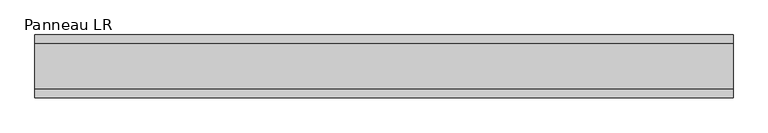
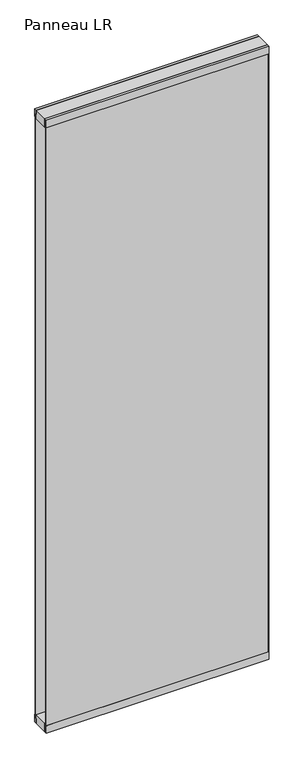
"""IFC4 building model written with IfcOpenShell, lengths in millimetres: plate geometry, Panneau LR."""

from ifc_helpers import new_model, si_unit, frame, origin, origin_with_axes, place, context, project, spatial, polyline, outline, extrude, source, transform, mapped, element, save


def panneau_lr_678c00ff(model_context):
    return source(origin(), model_context, "Body", "SweptSolid", [
        extrude(outline(polyline([(33.0, 2910.0), (45.0, 2910.0), (45.0, 2875.0), (43.8, 2875.0), (43.8, 2890.0), (33.0, 2890.0), (33.0, 2910.0)])), frame((-500.7748676, 0.0, 0.0), z_axis=(1.0, 0.0, 0.0), x_axis=(0.0, 1.0, 0.0)), (0.0, 0.0, 1.0), 1001.5497353),
        extrude(outline(polyline([(-45.0, 2875.0), (-45.0, 2910.0), (-33.0, 2910.0), (-33.0, 2890.0), (-43.8, 2890.0), (-43.8, 2875.0), (-45.0, 2875.0)])), frame((-500.7748676, 0.0, 0.0), z_axis=(1.0, 0.0, 0.0), x_axis=(0.0, 1.0, 0.0)), (0.0, 0.0, 1.0), 1001.5497353),
        extrude(outline(polyline([(500.7748676, 43.8), (500.7748676, 37.8), (498.7748676, 37.8), (498.7748676, 43.8), (500.7748676, 43.8)])), frame((0.0, 0.0, 20.0), z_axis=(0.0, 0.0, 1.0), x_axis=(1.0, 0.0, 0.0)), (0.0, 0.0, 1.0), 2870.0),
        extrude(outline(polyline([(500.7748676, -37.8), (500.7748676, -43.8), (498.7748676, -43.8), (498.7748676, -37.8), (500.7748676, -37.8)])), frame((0.0, 0.0, 20.0), z_axis=(0.0, 0.0, 1.0), x_axis=(1.0, 0.0, 0.0)), (0.0, 0.0, 1.0), 2870.0),
        extrude(outline(polyline([(33.0, 0.0), (33.0, 20.0), (43.8, 20.0), (43.8, 35.0), (45.0, 35.0), (45.0, 0.0), (33.0, 0.0)])), frame((-500.7748676, 0.0, 0.0), z_axis=(1.0, 0.0, 0.0), x_axis=(0.0, 1.0, 0.0)), (0.0, 0.0, 1.0), 1001.5497353),
        extrude(outline(polyline([(-45.0, 35.0), (-43.8, 35.0), (-43.8, 20.0), (-33.0, 20.0), (-33.0, 0.0), (-45.0, 0.0), (-45.0, 35.0)])), frame((-500.7748676, 0.0, 0.0), z_axis=(1.0, 0.0, 0.0), x_axis=(0.0, 1.0, 0.0)), (0.0, 0.0, 1.0), 1001.5497353),
        extrude(outline(polyline([(500.7748676, -33.0), (-500.7748676, -33.0), (-500.7748676, 33.0), (500.7748676, 33.0), (500.7748676, -33.0)])), frame((0.0, 0.0, 2870.0), z_axis=(0.0, 0.0, 1.0), x_axis=(1.0, 0.0, 0.0)), (0.0, 0.0, 1.0), 40.0),
        extrude(outline(polyline([(500.7748676, -33.0), (-500.7748676, -33.0), (-500.7748676, 33.0), (500.7748676, 33.0), (500.7748676, -33.0)])), origin_with_axes(), (0.0, 0.0, 1.0), 40.0),
        extrude(outline(polyline([(498.7748676, 37.8), (-500.7748676, 37.8), (-500.7748676, 43.8), (498.7748676, 43.8), (498.7748676, 37.8)])), frame((0.0, 0.0, 20.0), z_axis=(0.0, 0.0, 1.0), x_axis=(1.0, 0.0, 0.0)), (0.0, 0.0, 1.0), 2870.0),
        extrude(outline(polyline([(-500.7748676, -43.8), (-500.7748676, -37.8), (498.7748676, -37.8), (498.7748676, -43.8), (-500.7748676, -43.8)])), frame((0.0, 0.0, 20.0), z_axis=(0.0, 0.0, 1.0), x_axis=(1.0, 0.0, 0.0)), (0.0, 0.0, 1.0), 2870.0),
    ])


if __name__ == "__main__":
    model = new_model("IFC4")
    model_context = context("Model", 3, world=origin())
    ifc_project = project(units=[si_unit("LENGTHUNIT", "METRE", prefix="MILLI")], contexts=[model_context])
    site = spatial("IfcSite", under=ifc_project)
    building = spatial("IfcBuilding", under=site)
    placement = place(None, origin())
    panneau_lr_shape = panneau_lr_678c00ff(model_context)
    element("IfcPlate", 1, ObjectType="Panneau LR", at=placement, inside=building, context=model_context, shape_type="MappedRepresentation", body=[
        mapped(panneau_lr_shape, transform((0.0, 0.0, 0.0), x_axis=(1.0, 0.0, 0.0), y_axis=(0.0, 1.0, 0.0), z_axis=(0.0, 0.0, 1.0))),
    ])
    save(model, "model.ifc")
